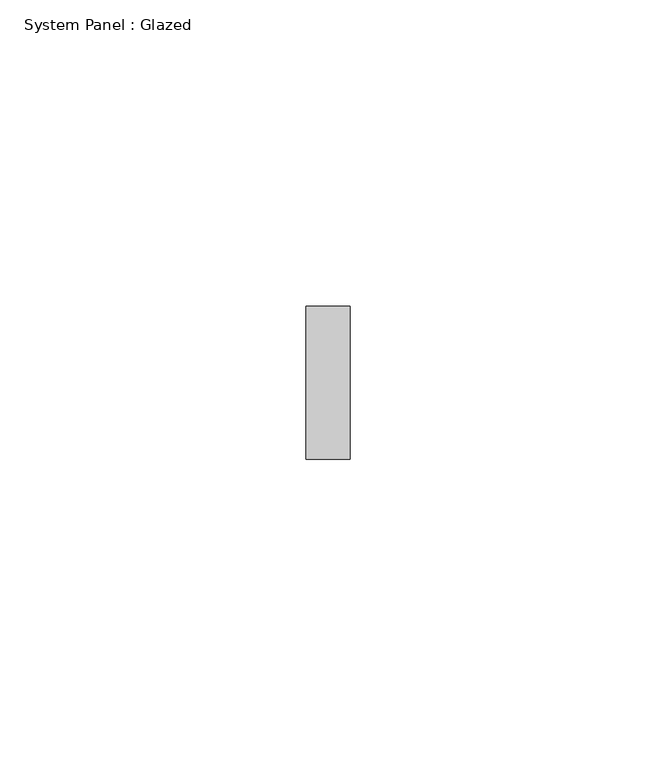
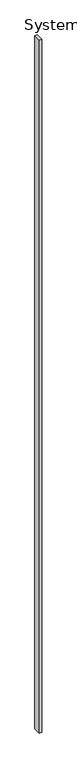
"""IFC4 building model written with IfcOpenShell, lengths in millimetres: plate geometry, System Panel : Glazed."""

from ifc_helpers import new_model, si_unit, origin, origin_with_axes, place, context, project, spatial, polyline, outline, extrude, source, transform, mapped, element, save


def system_panel_glazed_b6452b09(model_context):
    return source(origin(), model_context, "Body", "SweptSolid", [
        extrude(outline(polyline([(3.5977744, 24.5), (-3.5977744, 24.5), (-3.5977744, 49.5), (3.5977744, 49.5), (3.5977744, 24.5)])), origin_with_axes(), (0.0, 0.0, 1.0), 2325.0),
    ])


if __name__ == "__main__":
    model = new_model("IFC4")
    model_context = context("Model", 3, world=origin())
    ifc_project = project(units=[si_unit("LENGTHUNIT", "METRE", prefix="MILLI")], contexts=[model_context])
    site = spatial("IfcSite", under=ifc_project)
    building = spatial("IfcBuilding", under=site)
    placement = place(None, origin())
    system_panel_glazed_shape = system_panel_glazed_b6452b09(model_context)
    element("IfcPlate", 1, ObjectType="System Panel : Glazed", at=placement, inside=building, context=model_context, shape_type="MappedRepresentation", body=[
        mapped(system_panel_glazed_shape, transform((0.0, 0.0, 0.0), x_axis=(1.0, 0.0, 0.0), y_axis=(0.0, 1.0, 0.0), z_axis=(0.0, 0.0, 1.0))),
    ])
    save(model, "model.ifc")
